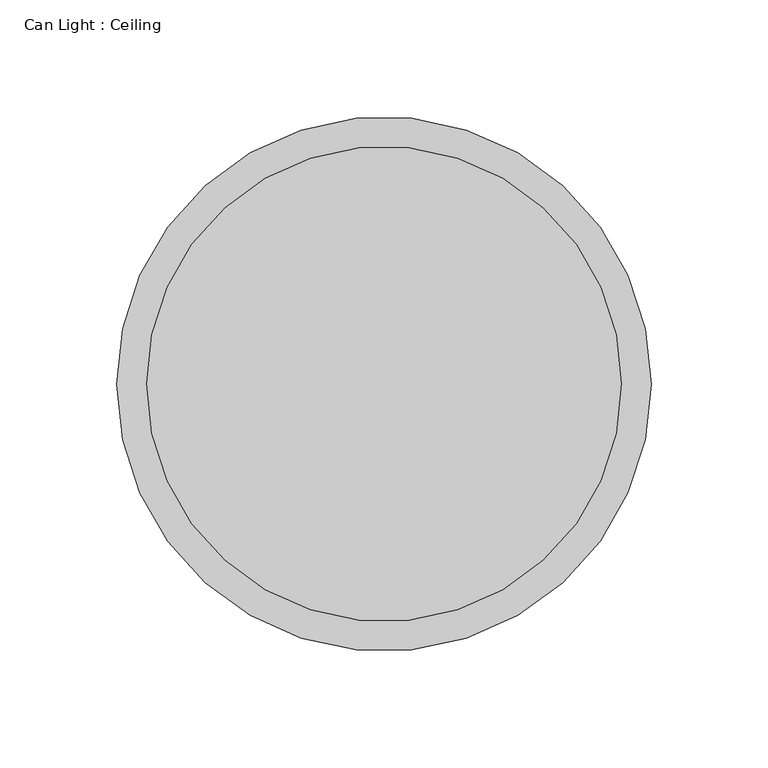
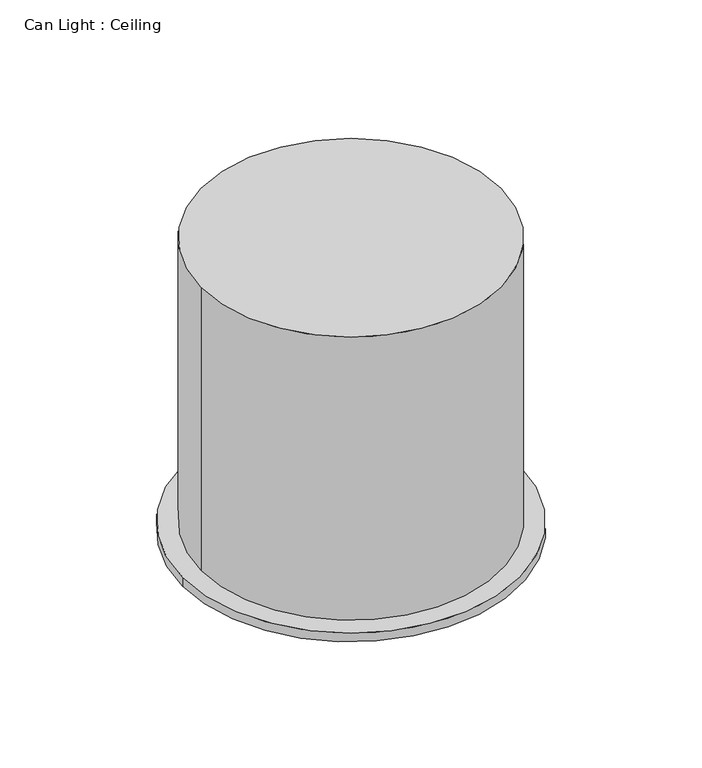
"""IFC4 building model written with IfcOpenShell, lengths in millimetres: light fixture geometry, Can Light : Ceiling."""

from ifc_helpers import new_model, si_unit, point, frame, frame_2d, origin, place, context, project, spatial, circle_curve, trimmed, segment, composite_curve, outline, extrude, source, transform, mapped, element, save


def can_light_ceiling_55c0d42e(model_context):
    return source(origin(), model_context, "Body", "SweptSolid", [
        extrude(outline(composite_curve([segment(trimmed(circle_curve(frame_2d((-40.7617675, -10.7254698)), 114.3), [point((73.5382325, -10.7254698))], [point((-155.0617675, -10.7254698))], False, "CARTESIAN"), True, "CONTINUOUS"), segment(trimmed(circle_curve(frame_2d((-40.7617675, -10.7254698)), 114.3), [point((-155.0617675, -10.7254698))], [point((73.5382325, -10.7254698))], False, "CARTESIAN"), True, "CONTINUOUS")], self_intersect=False)), frame((0.0, 0.0, 2584.45), z_axis=(0.0, 0.0, 1.0), x_axis=(1.0, 0.0, 0.0)), (0.0, 0.0, 1.0), 6.35),
        extrude(outline(composite_curve([segment(trimmed(circle_curve(frame_2d((-40.7617675, -10.7254698)), 101.6), [point((60.8382325, -10.7254698))], [point((-142.3617675, -10.7254698))], False, "CARTESIAN"), True, "CONTINUOUS"), segment(trimmed(circle_curve(frame_2d((-40.7617675, -10.7254698)), 101.6), [point((-142.3617675, -10.7254698))], [point((60.8382325, -10.7254698))], False, "CARTESIAN"), True, "CONTINUOUS")], self_intersect=False)), frame((0.0, 0.0, 2590.8), z_axis=(0.0, 0.0, 1.0), x_axis=(1.0, 0.0, 0.0)), (0.0, 0.0, 1.0), 203.2),
    ])


if __name__ == "__main__":
    model = new_model("IFC4")
    model_context = context("Model", 3, world=origin())
    ifc_project = project(units=[si_unit("LENGTHUNIT", "METRE", prefix="MILLI")], contexts=[model_context])
    site = spatial("IfcSite", under=ifc_project)
    building = spatial("IfcBuilding", under=site)
    placement = place(None, origin())
    can_light_ceiling_shape = can_light_ceiling_55c0d42e(model_context)
    element("IfcLightFixture", 1, ObjectType="Can Light : Ceiling", at=placement, inside=building, context=model_context, shape_type="MappedRepresentation", body=[
        mapped(can_light_ceiling_shape, transform((0.0, 0.0, 0.0), x_axis=(1.0, 0.0, 0.0), y_axis=(0.0, 1.0, 0.0), z_axis=(0.0, 0.0, 1.0))),
    ])
    save(model, "model.ifc")
